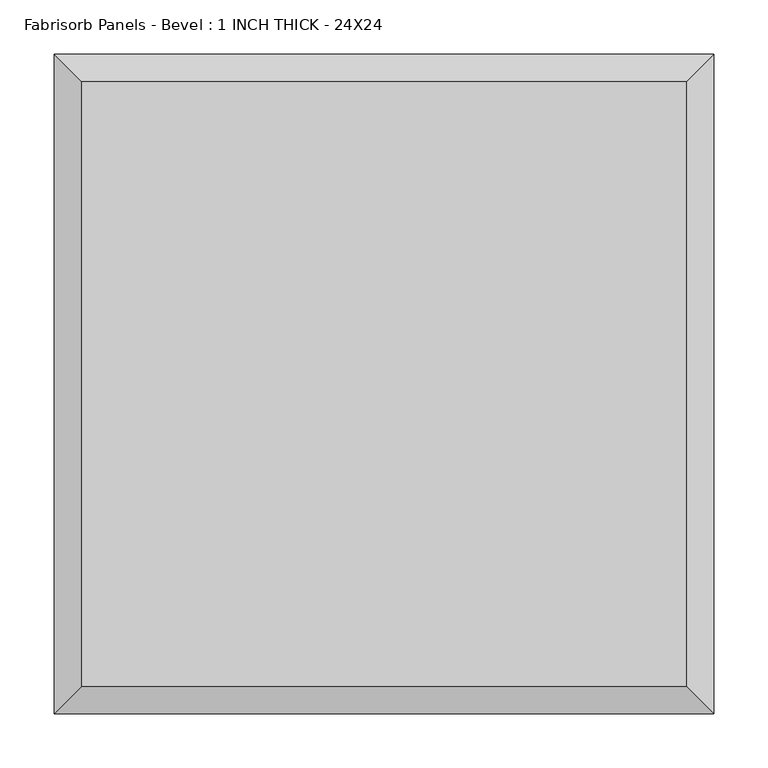
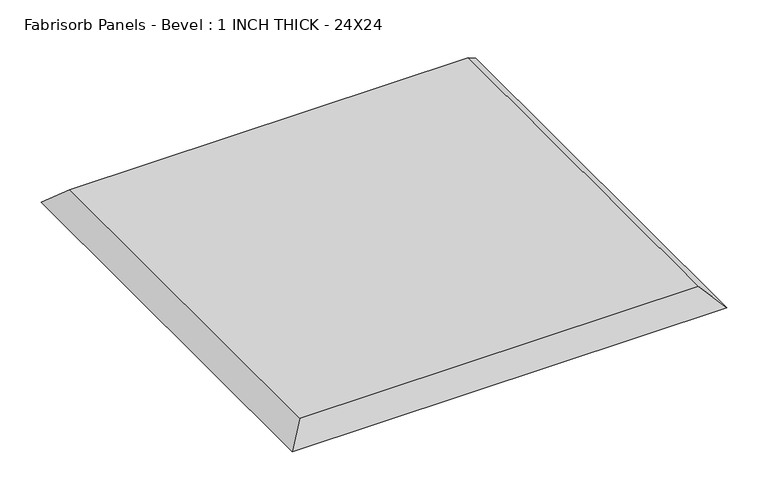
"""IFC4 building model written with IfcOpenShell, lengths in millimetres: proxy geometry, Fabrisorb Panels - Bevel : 1 INCH THICK - 24X24."""

from ifc_helpers import new_model, si_unit, origin, place, context, project, spatial, faceted_brep, source, transform, mapped, element, save


def fabrisorb_panels_bevel_1_inch_thick_24x24_90b7202b(model_context):
    return source(origin(), model_context, "Body", "Brep", [
        faceted_brep([(279.4, 279.4, 25.4), (-279.4, 279.4, 25.4), (-279.4, -279.4, 25.4), (279.4, -279.4, 25.4), (-304.8, 304.8, 0.0), (304.8, 304.8, 0.0), (304.8, -304.8, 0.0), (-304.8, -304.8, 0.0)], [[[0, 1, 2, 3]], [[4, 5, 6, 7]], [[4, 1, 0, 5]], [[1, 4, 7, 2]], [[2, 7, 6, 3]], [[5, 0, 3, 6]]]),
    ])


if __name__ == "__main__":
    model = new_model("IFC4")
    model_context = context("Model", 3, world=origin())
    ifc_project = project(units=[si_unit("LENGTHUNIT", "METRE", prefix="MILLI")], contexts=[model_context])
    site = spatial("IfcSite", under=ifc_project)
    building = spatial("IfcBuilding", under=site)
    placement = place(None, origin())
    fabrisorb_panels_bevel_1_inch_thick_24x24_shape = fabrisorb_panels_bevel_1_inch_thick_24x24_90b7202b(model_context)
    element("IfcBuildingElementProxy", 1, Name="Fabrisorb Panels - Bevel : 1 INCH THICK - 24X24", ObjectType="Fabrisorb Panels - Bevel : 1 INCH THICK - 24X24", at=placement, inside=building, context=model_context, shape_type="MappedRepresentation", body=[
        mapped(fabrisorb_panels_bevel_1_inch_thick_24x24_shape, transform((0.0, 0.0, 0.0), x_axis=(1.0, 0.0, 0.0), y_axis=(0.0, 1.0, 0.0), z_axis=(0.0, 0.0, 1.0))),
    ])
    save(model, "model.ifc")
